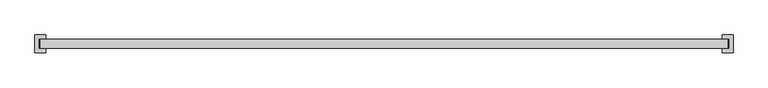
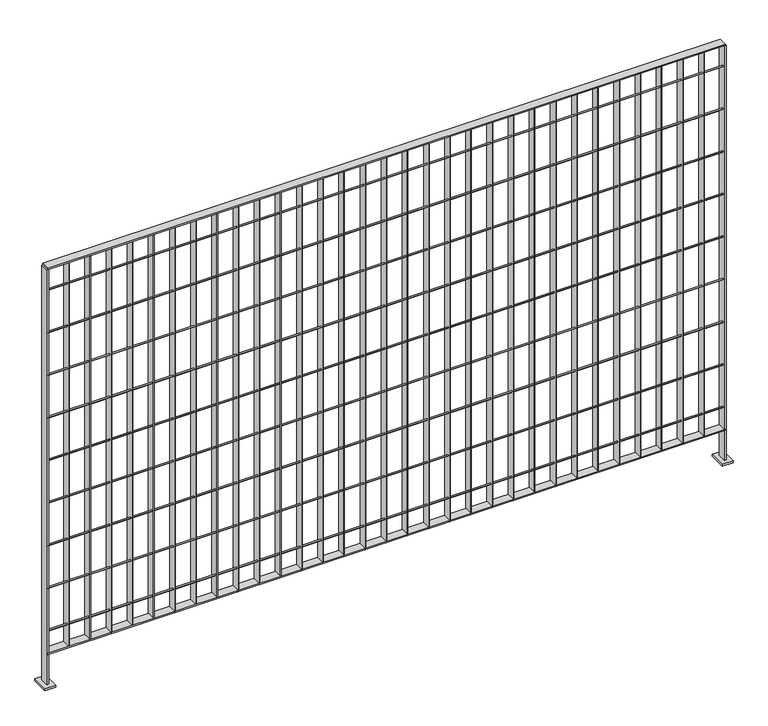
"""IFC4 building model written with IfcOpenShell, lengths in millimetres: railing geometry."""

from ifc_helpers import new_model, si_unit, point, frame, frame_2d, origin, place, context, project, spatial, polyline, circle_curve, trimmed, segment, composite_curve, outline, extrude, source, transform, mapped, element, save


def railing_38ea710e(model_context):
    return source(origin(), model_context, "Body", "SweptSolid", [
        extrude(outline(polyline([(-21351.4359548, 7726.0206619), (-21351.4359548, 7751.4206619), (-19370.2359548, 7751.4206619), (-19370.2359548, 7726.0206619), (-21351.4359548, 7726.0206619)])), frame((0.0, 0.0, 7718.510725), z_axis=(0.0, 0.0, 1.0), x_axis=(1.0, 0.0, 0.0)), (0.0, 0.0, 1.0), 3.7973),
        extrude(outline(composite_curve([segment(trimmed(circle_curve(frame_2d((7732.3706619, 7788.275)), 2.0574), [point((7734.4280619, 7788.275))], [point((7730.3132619, 7788.275))], False, "CARTESIAN"), True, "CONTINUOUS"), segment(trimmed(circle_curve(frame_2d((7732.3706619, 7788.275)), 2.0574), [point((7730.3132619, 7788.275))], [point((7734.4280619, 7788.275))], False, "CARTESIAN"), True, "CONTINUOUS")], self_intersect=False)), frame((-21351.4359548, 0.0, 0.0), z_axis=(1.0, 0.0, 0.0), x_axis=(0.0, 1.0, 0.0)), (0.0, 0.0, 1.0), 1981.2),
        extrude(outline(composite_curve([segment(trimmed(circle_curve(frame_2d((7732.3706619, 7920.0375)), 2.0574), [point((7734.4280619, 7920.0375))], [point((7730.3132619, 7920.0375))], False, "CARTESIAN"), True, "CONTINUOUS"), segment(trimmed(circle_curve(frame_2d((7732.3706619, 7920.0375)), 2.0574), [point((7730.3132619, 7920.0375))], [point((7734.4280619, 7920.0375))], False, "CARTESIAN"), True, "CONTINUOUS")], self_intersect=False)), frame((-21351.4359548, 0.0, 0.0), z_axis=(1.0, 0.0, 0.0), x_axis=(0.0, 1.0, 0.0)), (0.0, 0.0, 1.0), 1981.2),
        extrude(outline(composite_curve([segment(trimmed(circle_curve(frame_2d((7732.3706619, 8051.8)), 2.0574), [point((7734.4280619, 8051.8))], [point((7730.3132619, 8051.8))], False, "CARTESIAN"), True, "CONTINUOUS"), segment(trimmed(circle_curve(frame_2d((7732.3706619, 8051.8)), 2.0574), [point((7730.3132619, 8051.8))], [point((7734.4280619, 8051.8))], False, "CARTESIAN"), True, "CONTINUOUS")], self_intersect=False)), frame((-21351.4359548, 0.0, 0.0), z_axis=(1.0, 0.0, 0.0), x_axis=(0.0, 1.0, 0.0)), (0.0, 0.0, 1.0), 1981.2),
        extrude(outline(composite_curve([segment(trimmed(circle_curve(frame_2d((7732.3706619, 8183.5625)), 2.0574), [point((7734.4280619, 8183.5625))], [point((7730.3132619, 8183.5625))], False, "CARTESIAN"), True, "CONTINUOUS"), segment(trimmed(circle_curve(frame_2d((7732.3706619, 8183.5625)), 2.0574), [point((7730.3132619, 8183.5625))], [point((7734.4280619, 8183.5625))], False, "CARTESIAN"), True, "CONTINUOUS")], self_intersect=False)), frame((-21351.4359548, 0.0, 0.0), z_axis=(1.0, 0.0, 0.0), x_axis=(0.0, 1.0, 0.0)), (0.0, 0.0, 1.0), 1981.2),
        extrude(outline(composite_curve([segment(trimmed(circle_curve(frame_2d((7732.3706619, 8315.325)), 2.0574), [point((7734.4280619, 8315.325))], [point((7730.3132619, 8315.325))], False, "CARTESIAN"), True, "CONTINUOUS"), segment(trimmed(circle_curve(frame_2d((7732.3706619, 8315.325)), 2.0574), [point((7730.3132619, 8315.325))], [point((7734.4280619, 8315.325))], False, "CARTESIAN"), True, "CONTINUOUS")], self_intersect=False)), frame((-21351.4359548, 0.0, 0.0), z_axis=(1.0, 0.0, 0.0), x_axis=(0.0, 1.0, 0.0)), (0.0, 0.0, 1.0), 1981.2),
        extrude(outline(composite_curve([segment(trimmed(circle_curve(frame_2d((7732.3706619, 8447.0875)), 2.0574), [point((7734.4280619, 8447.0875))], [point((7730.3132619, 8447.0875))], False, "CARTESIAN"), True, "CONTINUOUS"), segment(trimmed(circle_curve(frame_2d((7732.3706619, 8447.0875)), 2.0574), [point((7730.3132619, 8447.0875))], [point((7734.4280619, 8447.0875))], False, "CARTESIAN"), True, "CONTINUOUS")], self_intersect=False)), frame((-21351.4359548, 0.0, 0.0), z_axis=(1.0, 0.0, 0.0), x_axis=(0.0, 1.0, 0.0)), (0.0, 0.0, 1.0), 1981.2),
        extrude(outline(composite_curve([segment(trimmed(circle_curve(frame_2d((7732.3706619, 8578.85)), 2.0574), [point((7734.4280619, 8578.85))], [point((7730.3132619, 8578.85))], False, "CARTESIAN"), True, "CONTINUOUS"), segment(trimmed(circle_curve(frame_2d((7732.3706619, 8578.85)), 2.0574), [point((7730.3132619, 8578.85))], [point((7734.4280619, 8578.85))], False, "CARTESIAN"), True, "CONTINUOUS")], self_intersect=False)), frame((-21351.4359548, 0.0, 0.0), z_axis=(1.0, 0.0, 0.0), x_axis=(0.0, 1.0, 0.0)), (0.0, 0.0, 1.0), 1981.2),
        extrude(outline(composite_curve([segment(trimmed(circle_curve(frame_2d((7732.3706619, 8710.6125)), 2.0574), [point((7734.4280619, 8710.6125))], [point((7730.3132619, 8710.6125))], False, "CARTESIAN"), True, "CONTINUOUS"), segment(trimmed(circle_curve(frame_2d((7732.3706619, 8710.6125)), 2.0574), [point((7730.3132619, 8710.6125))], [point((7734.4280619, 8710.6125))], False, "CARTESIAN"), True, "CONTINUOUS")], self_intersect=False)), frame((-21351.4359548, 0.0, 0.0), z_axis=(1.0, 0.0, 0.0), x_axis=(0.0, 1.0, 0.0)), (0.0, 0.0, 1.0), 1981.2),
        extrude(outline(composite_curve([segment(trimmed(circle_curve(frame_2d((7732.3706619, 8842.375)), 2.0574), [point((7734.4280619, 8842.375))], [point((7730.3132619, 8842.375))], False, "CARTESIAN"), True, "CONTINUOUS"), segment(trimmed(circle_curve(frame_2d((7732.3706619, 8842.375)), 2.0574), [point((7730.3132619, 8842.375))], [point((7734.4280619, 8842.375))], False, "CARTESIAN"), True, "CONTINUOUS")], self_intersect=False)), frame((-21351.4359548, 0.0, 0.0), z_axis=(1.0, 0.0, 0.0), x_axis=(0.0, 1.0, 0.0)), (0.0, 0.0, 1.0), 1981.2),
        extrude(outline(polyline([(-21351.4359548, 7726.0206619), (-21351.4359548, 7751.4206619), (-19370.2359548, 7751.4206619), (-19370.2359548, 7726.0206619), (-21351.4359548, 7726.0206619)])), frame((0.0, 0.0, 8908.73885), z_axis=(0.0, 0.0, 1.0), x_axis=(1.0, 0.0, 0.0)), (0.0, 0.0, 1.0), 3.7973),
        extrude(outline(polyline([(-19431.1997648, 7726.0206619), (-19433.0971448, 7726.0206619), (-19433.0971448, 7751.4206619), (-19431.1997648, 7751.4206619), (-19431.1997648, 7726.0206619)])), frame((0.0, 0.0, 7718.425), z_axis=(0.0, 0.0, 1.0), x_axis=(1.0, 0.0, 0.0)), (0.0, 0.0, 1.0), 1190.31385),
        extrude(outline(polyline([(-19493.1122648, 7726.0206619), (-19495.0096448, 7726.0206619), (-19495.0096448, 7751.4206619), (-19493.1122648, 7751.4206619), (-19493.1122648, 7726.0206619)])), frame((0.0, 0.0, 7718.425), z_axis=(0.0, 0.0, 1.0), x_axis=(1.0, 0.0, 0.0)), (0.0, 0.0, 1.0), 1190.31385),
        extrude(outline(polyline([(-19555.0247648, 7726.0206619), (-19556.9221448, 7726.0206619), (-19556.9221448, 7751.4206619), (-19555.0247648, 7751.4206619), (-19555.0247648, 7726.0206619)])), frame((0.0, 0.0, 7718.425), z_axis=(0.0, 0.0, 1.0), x_axis=(1.0, 0.0, 0.0)), (0.0, 0.0, 1.0), 1190.31385),
        extrude(outline(polyline([(-19616.9372648, 7726.0206619), (-19618.8346448, 7726.0206619), (-19618.8346448, 7751.4206619), (-19616.9372648, 7751.4206619), (-19616.9372648, 7726.0206619)])), frame((0.0, 0.0, 7718.425), z_axis=(0.0, 0.0, 1.0), x_axis=(1.0, 0.0, 0.0)), (0.0, 0.0, 1.0), 1190.31385),
        extrude(outline(polyline([(-19678.8497648, 7726.0206619), (-19680.7471448, 7726.0206619), (-19680.7471448, 7751.4206619), (-19678.8497648, 7751.4206619), (-19678.8497648, 7726.0206619)])), frame((0.0, 0.0, 7718.425), z_axis=(0.0, 0.0, 1.0), x_axis=(1.0, 0.0, 0.0)), (0.0, 0.0, 1.0), 1190.31385),
        extrude(outline(polyline([(-19740.7622648, 7726.0206619), (-19742.6596448, 7726.0206619), (-19742.6596448, 7751.4206619), (-19740.7622648, 7751.4206619), (-19740.7622648, 7726.0206619)])), frame((0.0, 0.0, 7718.425), z_axis=(0.0, 0.0, 1.0), x_axis=(1.0, 0.0, 0.0)), (0.0, 0.0, 1.0), 1190.31385),
        extrude(outline(polyline([(-19802.6747648, 7726.0206619), (-19804.5721448, 7726.0206619), (-19804.5721448, 7751.4206619), (-19802.6747648, 7751.4206619), (-19802.6747648, 7726.0206619)])), frame((0.0, 0.0, 7718.425), z_axis=(0.0, 0.0, 1.0), x_axis=(1.0, 0.0, 0.0)), (0.0, 0.0, 1.0), 1190.31385),
        extrude(outline(polyline([(-19864.5872648, 7726.0206619), (-19866.4846448, 7726.0206619), (-19866.4846448, 7751.4206619), (-19864.5872648, 7751.4206619), (-19864.5872648, 7726.0206619)])), frame((0.0, 0.0, 7718.425), z_axis=(0.0, 0.0, 1.0), x_axis=(1.0, 0.0, 0.0)), (0.0, 0.0, 1.0), 1190.31385),
        extrude(outline(polyline([(-19926.4997648, 7726.0206619), (-19928.3971448, 7726.0206619), (-19928.3971448, 7751.4206619), (-19926.4997648, 7751.4206619), (-19926.4997648, 7726.0206619)])), frame((0.0, 0.0, 7718.425), z_axis=(0.0, 0.0, 1.0), x_axis=(1.0, 0.0, 0.0)), (0.0, 0.0, 1.0), 1190.31385),
        extrude(outline(polyline([(-19988.4122648, 7726.0206619), (-19990.3096448, 7726.0206619), (-19990.3096448, 7751.4206619), (-19988.4122648, 7751.4206619), (-19988.4122648, 7726.0206619)])), frame((0.0, 0.0, 7718.425), z_axis=(0.0, 0.0, 1.0), x_axis=(1.0, 0.0, 0.0)), (0.0, 0.0, 1.0), 1190.31385),
        extrude(outline(polyline([(-20050.3247648, 7726.0206619), (-20052.2221448, 7726.0206619), (-20052.2221448, 7751.4206619), (-20050.3247648, 7751.4206619), (-20050.3247648, 7726.0206619)])), frame((0.0, 0.0, 7718.425), z_axis=(0.0, 0.0, 1.0), x_axis=(1.0, 0.0, 0.0)), (0.0, 0.0, 1.0), 1190.31385),
        extrude(outline(polyline([(-20112.2372648, 7726.0206619), (-20114.1346448, 7726.0206619), (-20114.1346448, 7751.4206619), (-20112.2372648, 7751.4206619), (-20112.2372648, 7726.0206619)])), frame((0.0, 0.0, 7718.425), z_axis=(0.0, 0.0, 1.0), x_axis=(1.0, 0.0, 0.0)), (0.0, 0.0, 1.0), 1190.31385),
        extrude(outline(polyline([(-20174.1497648, 7726.0206619), (-20176.0471448, 7726.0206619), (-20176.0471448, 7751.4206619), (-20174.1497648, 7751.4206619), (-20174.1497648, 7726.0206619)])), frame((0.0, 0.0, 7718.425), z_axis=(0.0, 0.0, 1.0), x_axis=(1.0, 0.0, 0.0)), (0.0, 0.0, 1.0), 1190.31385),
        extrude(outline(polyline([(-20236.0622648, 7726.0206619), (-20237.9596448, 7726.0206619), (-20237.9596448, 7751.4206619), (-20236.0622648, 7751.4206619), (-20236.0622648, 7726.0206619)])), frame((0.0, 0.0, 7718.425), z_axis=(0.0, 0.0, 1.0), x_axis=(1.0, 0.0, 0.0)), (0.0, 0.0, 1.0), 1190.31385),
        extrude(outline(polyline([(-20297.9747648, 7726.0206619), (-20299.8721448, 7726.0206619), (-20299.8721448, 7751.4206619), (-20297.9747648, 7751.4206619), (-20297.9747648, 7726.0206619)])), frame((0.0, 0.0, 7718.425), z_axis=(0.0, 0.0, 1.0), x_axis=(1.0, 0.0, 0.0)), (0.0, 0.0, 1.0), 1190.31385),
        extrude(outline(polyline([(-20359.8872648, 7726.0206619), (-20361.7846448, 7726.0206619), (-20361.7846448, 7751.4206619), (-20359.8872648, 7751.4206619), (-20359.8872648, 7726.0206619)])), frame((0.0, 0.0, 7718.425), z_axis=(0.0, 0.0, 1.0), x_axis=(1.0, 0.0, 0.0)), (0.0, 0.0, 1.0), 1190.31385),
        extrude(outline(polyline([(-20421.7997648, 7726.0206619), (-20423.6971448, 7726.0206619), (-20423.6971448, 7751.4206619), (-20421.7997648, 7751.4206619), (-20421.7997648, 7726.0206619)])), frame((0.0, 0.0, 7718.425), z_axis=(0.0, 0.0, 1.0), x_axis=(1.0, 0.0, 0.0)), (0.0, 0.0, 1.0), 1190.31385),
        extrude(outline(polyline([(-20483.7122648, 7726.0206619), (-20485.6096448, 7726.0206619), (-20485.6096448, 7751.4206619), (-20483.7122648, 7751.4206619), (-20483.7122648, 7726.0206619)])), frame((0.0, 0.0, 7718.425), z_axis=(0.0, 0.0, 1.0), x_axis=(1.0, 0.0, 0.0)), (0.0, 0.0, 1.0), 1190.31385),
        extrude(outline(polyline([(-20545.6247648, 7726.0206619), (-20547.5221448, 7726.0206619), (-20547.5221448, 7751.4206619), (-20545.6247648, 7751.4206619), (-20545.6247648, 7726.0206619)])), frame((0.0, 0.0, 7718.425), z_axis=(0.0, 0.0, 1.0), x_axis=(1.0, 0.0, 0.0)), (0.0, 0.0, 1.0), 1190.31385),
        extrude(outline(polyline([(-20607.5372648, 7726.0206619), (-20609.4346448, 7726.0206619), (-20609.4346448, 7751.4206619), (-20607.5372648, 7751.4206619), (-20607.5372648, 7726.0206619)])), frame((0.0, 0.0, 7718.425), z_axis=(0.0, 0.0, 1.0), x_axis=(1.0, 0.0, 0.0)), (0.0, 0.0, 1.0), 1190.31385),
        extrude(outline(polyline([(-20669.4497648, 7726.0206619), (-20671.3471448, 7726.0206619), (-20671.3471448, 7751.4206619), (-20669.4497648, 7751.4206619), (-20669.4497648, 7726.0206619)])), frame((0.0, 0.0, 7718.425), z_axis=(0.0, 0.0, 1.0), x_axis=(1.0, 0.0, 0.0)), (0.0, 0.0, 1.0), 1190.31385),
        extrude(outline(polyline([(-20731.3622648, 7726.0206619), (-20733.2596448, 7726.0206619), (-20733.2596448, 7751.4206619), (-20731.3622648, 7751.4206619), (-20731.3622648, 7726.0206619)])), frame((0.0, 0.0, 7718.425), z_axis=(0.0, 0.0, 1.0), x_axis=(1.0, 0.0, 0.0)), (0.0, 0.0, 1.0), 1190.31385),
        extrude(outline(polyline([(-20793.2747648, 7726.0206619), (-20795.1721448, 7726.0206619), (-20795.1721448, 7751.4206619), (-20793.2747648, 7751.4206619), (-20793.2747648, 7726.0206619)])), frame((0.0, 0.0, 7718.425), z_axis=(0.0, 0.0, 1.0), x_axis=(1.0, 0.0, 0.0)), (0.0, 0.0, 1.0), 1190.31385),
        extrude(outline(polyline([(-20855.1872648, 7726.0206619), (-20857.0846448, 7726.0206619), (-20857.0846448, 7751.4206619), (-20855.1872648, 7751.4206619), (-20855.1872648, 7726.0206619)])), frame((0.0, 0.0, 7718.425), z_axis=(0.0, 0.0, 1.0), x_axis=(1.0, 0.0, 0.0)), (0.0, 0.0, 1.0), 1190.31385),
        extrude(outline(polyline([(-20917.0997648, 7726.0206619), (-20918.9971448, 7726.0206619), (-20918.9971448, 7751.4206619), (-20917.0997648, 7751.4206619), (-20917.0997648, 7726.0206619)])), frame((0.0, 0.0, 7718.425), z_axis=(0.0, 0.0, 1.0), x_axis=(1.0, 0.0, 0.0)), (0.0, 0.0, 1.0), 1190.31385),
        extrude(outline(polyline([(-20979.0122648, 7726.0206619), (-20980.9096448, 7726.0206619), (-20980.9096448, 7751.4206619), (-20979.0122648, 7751.4206619), (-20979.0122648, 7726.0206619)])), frame((0.0, 0.0, 7718.425), z_axis=(0.0, 0.0, 1.0), x_axis=(1.0, 0.0, 0.0)), (0.0, 0.0, 1.0), 1190.31385),
        extrude(outline(polyline([(-21040.9247648, 7726.0206619), (-21042.8221448, 7726.0206619), (-21042.8221448, 7751.4206619), (-21040.9247648, 7751.4206619), (-21040.9247648, 7726.0206619)])), frame((0.0, 0.0, 7718.425), z_axis=(0.0, 0.0, 1.0), x_axis=(1.0, 0.0, 0.0)), (0.0, 0.0, 1.0), 1190.31385),
        extrude(outline(polyline([(-21102.8372648, 7726.0206619), (-21104.7346448, 7726.0206619), (-21104.7346448, 7751.4206619), (-21102.8372648, 7751.4206619), (-21102.8372648, 7726.0206619)])), frame((0.0, 0.0, 7718.425), z_axis=(0.0, 0.0, 1.0), x_axis=(1.0, 0.0, 0.0)), (0.0, 0.0, 1.0), 1190.31385),
        extrude(outline(polyline([(-21164.7497648, 7726.0206619), (-21166.6471448, 7726.0206619), (-21166.6471448, 7751.4206619), (-21164.7497648, 7751.4206619), (-21164.7497648, 7726.0206619)])), frame((0.0, 0.0, 7718.425), z_axis=(0.0, 0.0, 1.0), x_axis=(1.0, 0.0, 0.0)), (0.0, 0.0, 1.0), 1190.31385),
        extrude(outline(polyline([(-21226.6622648, 7726.0206619), (-21228.5596448, 7726.0206619), (-21228.5596448, 7751.4206619), (-21226.6622648, 7751.4206619), (-21226.6622648, 7726.0206619)])), frame((0.0, 0.0, 7718.425), z_axis=(0.0, 0.0, 1.0), x_axis=(1.0, 0.0, 0.0)), (0.0, 0.0, 1.0), 1190.31385),
        extrude(outline(polyline([(-21288.5747648, 7726.0206619), (-21290.4721448, 7726.0206619), (-21290.4721448, 7751.4206619), (-21288.5747648, 7751.4206619), (-21288.5747648, 7726.0206619)])), frame((0.0, 0.0, 7718.425), z_axis=(0.0, 0.0, 1.0), x_axis=(1.0, 0.0, 0.0)), (0.0, 0.0, 1.0), 1190.31385),
        extrude(outline(polyline([(-19373.4109548, 7751.4206619), (-19367.0609548, 7751.4206619), (-19367.0609548, 7726.0206619), (-19373.4109548, 7726.0206619), (-19373.4109548, 7751.4206619)])), frame((0.0, 0.0, 7620.0), z_axis=(0.0, 0.0, 1.0), x_axis=(1.0, 0.0, 0.0)), (0.0, 0.0, 1.0), 1288.73885),
        extrude(outline(polyline([(-19354.3609548, 7713.3206619), (-19386.1109548, 7713.3206619), (-19386.1109548, 7764.1206619), (-19354.3609548, 7764.1206619), (-19354.3609548, 7713.3206619)])), frame((0.0, 0.0, 7620.0), z_axis=(0.0, 0.0, 1.0), x_axis=(1.0, 0.0, 0.0)), (0.0, 0.0, 1.0), 6.35),
        extrude(outline(polyline([(-21354.6109548, 7751.4206619), (-21348.2609548, 7751.4206619), (-21348.2609548, 7726.0206619), (-21354.6109548, 7726.0206619), (-21354.6109548, 7751.4206619)])), frame((0.0, 0.0, 7620.0), z_axis=(0.0, 0.0, 1.0), x_axis=(1.0, 0.0, 0.0)), (0.0, 0.0, 1.0), 1288.73885),
        extrude(outline(polyline([(-21335.5609548, 7713.3206619), (-21367.3109548, 7713.3206619), (-21367.3109548, 7764.1206619), (-21335.5609548, 7764.1206619), (-21335.5609548, 7713.3206619)])), frame((0.0, 0.0, 7620.0), z_axis=(0.0, 0.0, 1.0), x_axis=(1.0, 0.0, 0.0)), (0.0, 0.0, 1.0), 6.35),
    ])


if __name__ == "__main__":
    model = new_model("IFC4")
    model_context = context("Model", 3, world=origin())
    ifc_project = project(units=[si_unit("LENGTHUNIT", "METRE", prefix="MILLI")], contexts=[model_context])
    site = spatial("IfcSite", under=ifc_project)
    building = spatial("IfcBuilding", under=site)
    placement = place(None, origin())
    railing_shape = railing_38ea710e(model_context)
    element("IfcRailing", 1, at=placement, inside=building, context=model_context, shape_type="MappedRepresentation", body=[
        mapped(railing_shape, transform((0.0, 0.0, 0.0), x_axis=(1.0, 0.0, 0.0), y_axis=(0.0, 1.0, 0.0), z_axis=(0.0, 0.0, 1.0))),
    ])
    save(model, "model.ifc")
